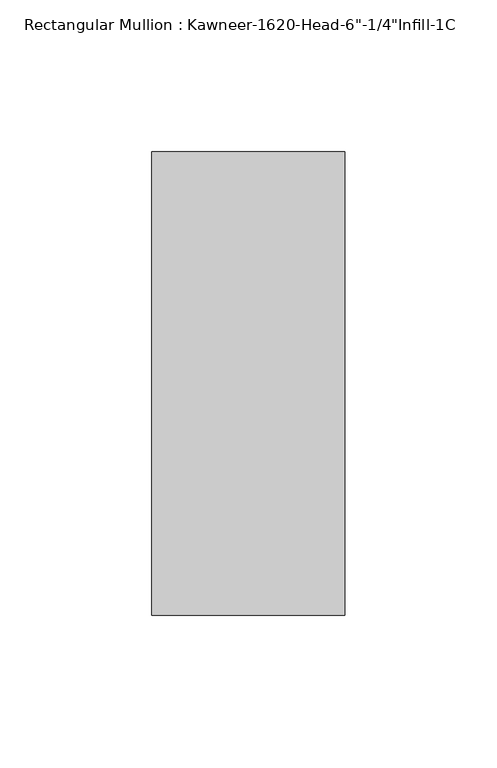
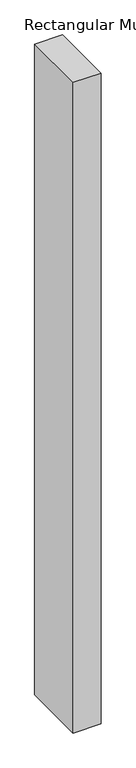
"""IFC4 building model written with IfcOpenShell, lengths in millimetres: member geometry."""

from ifc_helpers import new_model, si_unit, frame, origin, place, context, project, spatial, polyline, outline, extrude, source, transform, mapped, element, save


def member_c8755316(model_context):
    return source(origin(), model_context, "Body", "SweptSolid", [
        extrude(outline(polyline([(-63.5, 28.575), (0.0, 28.575), (0.0, -123.825), (-63.5, -123.825), (-63.5, 28.575)])), frame((0.0, 0.0, -1574.8), z_axis=(0.0, 0.0, 1.0), x_axis=(1.0, 0.0, 0.0)), (0.0, 0.0, 1.0), 1574.8),
    ])


if __name__ == "__main__":
    model = new_model("IFC4")
    model_context = context("Model", 3, world=origin())
    ifc_project = project(units=[si_unit("LENGTHUNIT", "METRE", prefix="MILLI")], contexts=[model_context])
    site = spatial("IfcSite", under=ifc_project)
    building = spatial("IfcBuilding", under=site)
    placement = place(None, origin())
    member_shape = member_c8755316(model_context)
    element("IfcMember", 1, ObjectType="Rectangular Mullion : Kawneer-1620-Head-6\"-1/4\"Infill-1C", at=placement, inside=building, context=model_context, shape_type="MappedRepresentation", body=[
        mapped(member_shape, transform((0.0, 0.0, 0.0), x_axis=(1.0, 0.0, 0.0), y_axis=(0.0, 1.0, 0.0), z_axis=(0.0, 0.0, 1.0))),
    ])
    save(model, "model.ifc")
